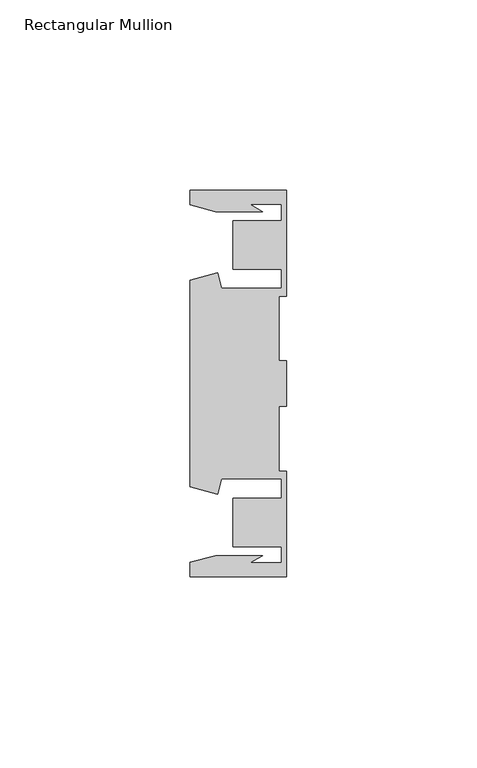
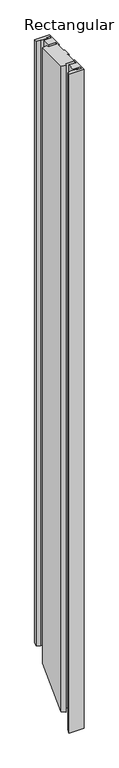
"""IFC4 building model written with IfcOpenShell, lengths in millimetres: member geometry, Rectangular Mullion."""

from ifc_helpers import new_model, si_unit, origin, place, context, project, spatial, faceted_brep, source, transform, mapped, element, save


def rectangular_mullion_b113c3d4(model_context):
    return source(origin(), model_context, "Body", "Brep", [
        faceted_brep([(-25.4, 50.7724622, 0.0), (-25.4, 46.9768463, 0.0), (-18.7113002, 45.1846146, 0.0), (-6.3834869, 45.1846146, 0.0), (-9.7005662, 47.0997313, 0.0), (-1.4138425, 47.0997313, 0.0), (-1.4138425, 42.7898906, 0.0), (-14.1138425, 42.7898906, 0.0), (-14.1138425, 30.0898906, 0.0), (-1.4138425, 30.0898906, 0.0), (-1.4138425, 24.9890132, 0.0), (-17.1094033, 24.9890132, 0.0), (-18.2017212, 29.0655993, 0.0), (-25.4, 27.1368263, 0.0), (-25.4, -27.1828263, 0.0), (-18.2017212, -29.1115993, 0.0), (-17.1094033, -25.0350132, 0.0), (-1.4138425, -25.0350132, 0.0), (-1.4138425, -30.1358906, 0.0), (-14.1138425, -30.1358906, 0.0), (-14.1138425, -42.8358906, 0.0), (-1.4138425, -42.8358906, 0.0), (-1.4138425, -47.1457313, 0.0), (-9.7005662, -47.1457313, 0.0), (-6.3834869, -45.2306146, 0.0), (-18.7113002, -45.2306146, 0.0), (-25.4, -47.0228463, 0.0), (-25.4, -50.8184622, 0.0), (0.0, -50.8184622, 0.0), (0.0, -23.0168072, 0.0), (-2.0000011, -23.0168072, 0.0), (-2.0000011, -6.0230032, 0.0), (0.0, -6.0230032, 0.0), (0.0, 5.9770032, 0.0), (-2.0000011, 5.9770032, 0.0), (-2.0000011, 22.9708072, 0.0), (0.0, 22.9708072, 0.0), (0.0, 50.7724622, 0.0), (-25.4, 50.7724622, -1081.8839858), (-25.4, 46.9768463, -1085.6796017), (-18.7113002, 45.1846146, -1087.4718334), (-6.3834869, 45.1846146, -1087.4718334), (-9.7005662, 47.0997313, -1085.5567168), (-1.4138425, 47.0997313, -1085.5567168), (-1.4138425, 42.7898906, -1089.8665574), (-14.1138425, 42.7898906, -1089.8665574), (-14.1138425, 30.0898906, -1102.5665574), (-1.4138425, 30.0898906, -1102.5665574), (-1.4138425, 24.9890132, -1107.6674348), (-17.1094033, 24.9890132, -1107.6674348), (-18.2017212, 29.0655993, -1103.5908488), (-25.4, 27.1368263, -1105.5196218), (-25.4, -27.1828263, -1159.8392744), (-18.2017212, -29.1115993, -1161.7680474), (-17.1094033, -25.0350132, -1157.6914613), (-1.4138425, -25.0350132, -1157.6914613), (-1.4138425, -30.1358906, -1162.7923387), (-14.1138425, -30.1358906, -1162.7923387), (-14.1138425, -42.8358906, -1175.4923387), (-1.4138425, -42.8358906, -1175.4923387), (-1.4138425, -47.1457313, -1179.8021794), (-9.7005662, -47.1457313, -1179.8021794), (-6.3834869, -45.2306146, -1177.8870627), (-18.7113002, -45.2306146, -1177.8870627), (-25.4, -47.0228463, -1179.6792944), (-25.4, -50.8184622, -1183.4749103), (0.0, -50.8184622, -1183.4749103), (0.0, -23.0168072, -1155.6732552), (-2.0000011, -23.0168072, -1155.6732552), (-2.0000011, -6.0230032, -1138.6794513), (0.0, -6.0230032, -1138.6794513), (0.0, 5.9770032, -1126.6794448), (-2.0000011, 5.9770032, -1126.6794448), (-2.0000011, 22.9708072, -1109.6856409), (0.0, 22.9708072, -1109.6856409), (0.0, 50.7724622, -1081.8839858)], [[[0, 1, 2, 3, 4, 5, 6, 7, 8, 9, 10, 11, 12, 13, 14, 15, 16, 17, 18, 19, 20, 21, 22, 23, 24, 25, 26, 27, 28, 29, 30, 31, 32, 33, 34, 35, 36, 37]], [[1, 0, 38, 39]], [[2, 1, 39, 40]], [[3, 2, 40, 41]], [[4, 3, 41, 42]], [[5, 4, 42, 43]], [[6, 5, 43, 44]], [[7, 6, 44, 45]], [[8, 7, 45, 46]], [[9, 8, 46, 47]], [[10, 9, 47, 48]], [[11, 10, 48, 49]], [[12, 11, 49, 50]], [[13, 12, 50, 51]], [[14, 13, 51, 52]], [[15, 14, 52, 53]], [[16, 15, 53, 54]], [[17, 16, 54, 55]], [[18, 17, 55, 56]], [[19, 18, 56, 57]], [[20, 19, 57, 58]], [[21, 20, 58, 59]], [[22, 21, 59, 60]], [[23, 22, 60, 61]], [[24, 23, 61, 62]], [[25, 24, 62, 63]], [[26, 25, 63, 64]], [[27, 26, 64, 65]], [[28, 27, 65, 66]], [[29, 28, 66, 67]], [[30, 29, 67, 68]], [[31, 30, 68, 69]], [[32, 31, 69, 70]], [[33, 32, 70, 71]], [[34, 33, 71, 72]], [[35, 34, 72, 73]], [[36, 35, 73, 74]], [[37, 36, 74, 75]], [[0, 37, 75, 38]], [[38, 75, 74, 73, 72, 71, 70, 69, 68, 67, 66, 65, 64, 63, 62, 61, 60, 59, 58, 57, 56, 55, 54, 53, 52, 51, 50, 49, 48, 47, 46, 45, 44, 43, 42, 41, 40, 39]]]),
    ])


if __name__ == "__main__":
    model = new_model("IFC4")
    model_context = context("Model", 3, world=origin())
    ifc_project = project(units=[si_unit("LENGTHUNIT", "METRE", prefix="MILLI")], contexts=[model_context])
    site = spatial("IfcSite", under=ifc_project)
    building = spatial("IfcBuilding", under=site)
    placement = place(None, origin())
    rectangular_mullion_shape = rectangular_mullion_b113c3d4(model_context)
    element("IfcMember", 1, ObjectType="Rectangular Mullion", at=placement, inside=building, context=model_context, shape_type="MappedRepresentation", body=[
        mapped(rectangular_mullion_shape, transform((0.0, 0.0, 0.0), x_axis=(1.0, 0.0, 0.0), y_axis=(0.0, 1.0, 0.0), z_axis=(0.0, 0.0, 1.0))),
    ])
    save(model, "model.ifc")
